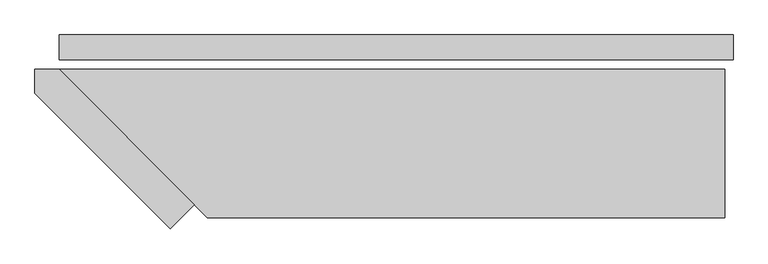
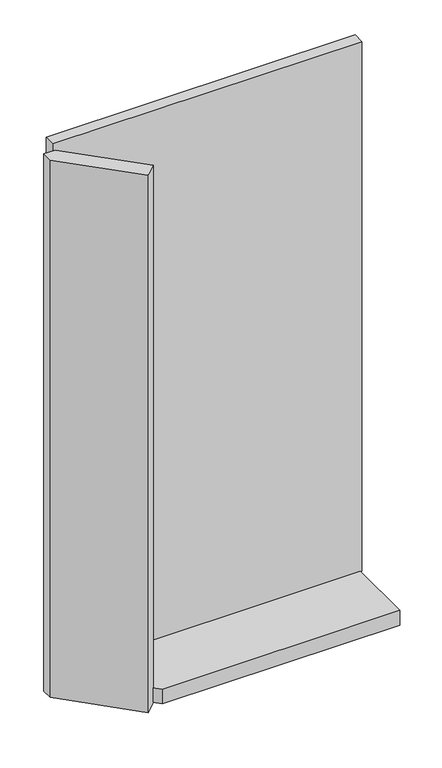
"""IFC4 building model written with IfcOpenShell, lengths in millimetres: plate geometry."""

from ifc_helpers import new_model, si_unit, frame, origin, origin_with_axes, place, context, project, spatial, polyline, outline, extrude, source, transform, mapped, element, save


def plate_6e2ffa14(model_context):
    return source(origin(), model_context, "Body", "SweptSolid", [
        extrude(outline(polyline([(591.0, 0.0), (591.0, -44.0), (-591.0, -44.0), (-591.0, 0.0), (591.0, 0.0)])), origin_with_axes(), (0.0, 0.0, 1.0), 2142.0),
        extrude(outline(polyline([(-354.0, -297.5735931), (-396.4264069, -340.0), (-634.0, -102.4264069), (-634.0, -60.0), (-591.5735931, -60.0), (-354.0, -297.5735931)])), frame((0.0, 0.0, -45.0), z_axis=(0.0, 0.0, 1.0), x_axis=(1.0, 0.0, 0.0)), (0.0, 0.0, 1.0), 2172.0),
        extrude(outline(polyline([(576.0, -320.0), (-331.5735931, -320.0), (-591.5735931, -60.0), (576.0, -60.0), (576.0, -320.0)])), frame((0.0, 0.0, -45.0), z_axis=(0.0, 0.0, 1.0), x_axis=(1.0, 0.0, 0.0)), (0.0, 0.0, 1.0), 60.0),
    ])


if __name__ == "__main__":
    model = new_model("IFC4")
    model_context = context("Model", 3, world=origin())
    ifc_project = project(units=[si_unit("LENGTHUNIT", "METRE", prefix="MILLI")], contexts=[model_context])
    site = spatial("IfcSite", under=ifc_project)
    building = spatial("IfcBuilding", under=site)
    placement = place(None, origin())
    plate_shape = plate_6e2ffa14(model_context)
    element("IfcPlate", 1, at=placement, inside=building, context=model_context, shape_type="MappedRepresentation", body=[
        mapped(plate_shape, transform((0.0, 0.0, 0.0), x_axis=(1.0, 0.0, 0.0), y_axis=(0.0, 1.0, 0.0), z_axis=(0.0, 0.0, 1.0))),
    ])
    save(model, "model.ifc")
